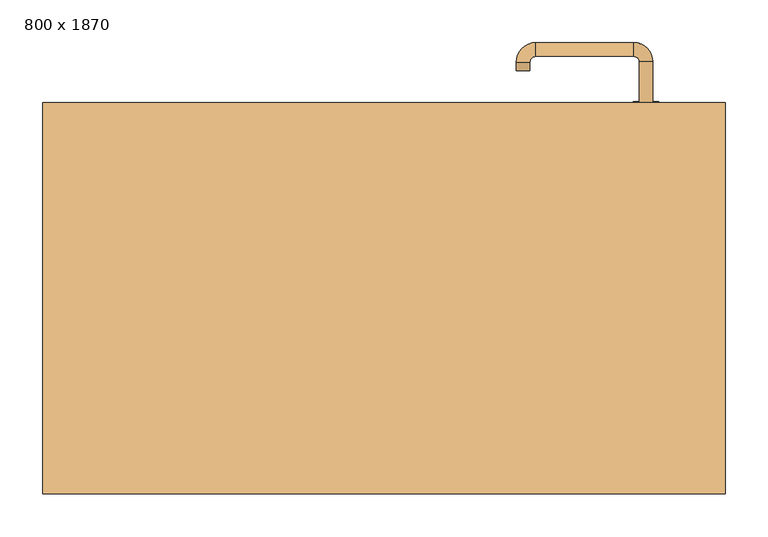
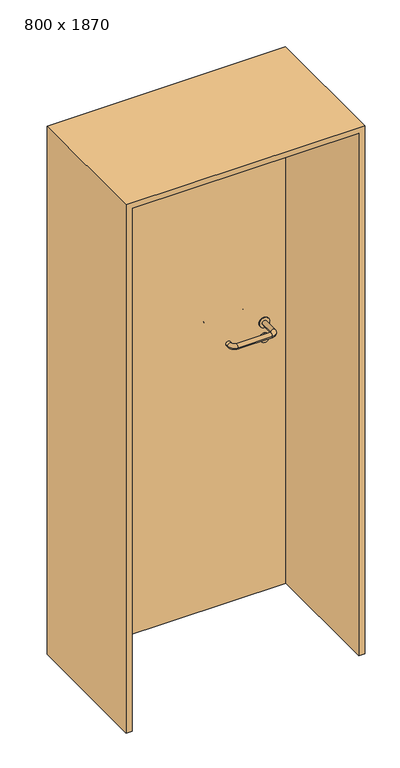
"""IFC4 building model written with IfcOpenShell, lengths in millimetres: door geometry, 800 x 1870."""

from ifc_helpers import new_model, si_unit, point, frame, frame_2d, origin, origin_with_axes, place, context, project, spatial, polyline, circle_curve, ellipse_curve, trimmed, segment, composite_curve, outline, extrude, source, transform, mapped, element, save
from ifc_brep_helpers import plane_surface, cylinder_surface, revolved_surface, advanced_brep


def door_800_x_1870_cc86cd20(model_context):
    return source(origin(), model_context, "Body", "SolidModel", [
        extrude(outline(composite_curve([segment(trimmed(circle_curve(frame_2d((897.3605726, 307.0)), 15.0), [point((897.3605726, 322.0))], [point((897.3605726, 292.0))], False, "CARTESIAN"), True, "CONTINUOUS"), segment(trimmed(circle_curve(frame_2d((897.3605726, 307.0)), 15.0), [point((897.3605726, 292.0))], [point((897.3605726, 322.0))], False, "CARTESIAN"), True, "CONTINUOUS")], self_intersect=False), holes=[composite_curve([segment(trimmed(circle_curve(frame_2d((892.5833211, 306.9398032)), 2.0), [point((892.5833211, 308.9398032))], [point((892.5833211, 304.9398032))], True, "CARTESIAN"), True, "CONTINUOUS"), segment(polyline([(892.5833211, 304.9398032), (902.5833211, 304.9398032)]), True, "CONTINUOUS"), segment(trimmed(circle_curve(frame_2d((902.5833211, 306.9398032)), 2.0), [point((902.5833211, 304.9398032))], [point((902.5833211, 308.9398032))], True, "CARTESIAN"), True, "CONTINUOUS"), segment(polyline([(902.5833211, 308.9398032), (892.5833211, 308.9398032)]), True, "CONTINUOUS")], self_intersect=False)]), frame((0.0, 188.65, 0.0), z_axis=(0.0, 1.0, 0.0), x_axis=(0.0, 0.0, 1.0)), (0.0, 0.0, 1.0), 6.35),
        extrude(outline(composite_curve([segment(trimmed(circle_curve(frame_2d((950.0, 307.0)), 17.526), [point((950.0, 324.526))], [point((950.0, 289.474))], False, "CARTESIAN"), True, "CONTINUOUS"), segment(trimmed(circle_curve(frame_2d((950.0, 307.0)), 17.526), [point((950.0, 289.474))], [point((950.0, 324.526))], False, "CARTESIAN"), True, "CONTINUOUS")], self_intersect=False)), frame((0.0, 191.825, 0.0), z_axis=(0.0, 1.0, 0.0), x_axis=(0.0, 0.0, 1.0)), (0.0, 0.0, 1.0), 3.175),
        advanced_brep(
        [(315.0, 195.0, 950.0), (299.0, 195.0, 950.0), (299.0, 142.0, 950.0), (315.0, 142.0, 950.0), (292.8578644, 135.8578644, 950.0), (292.8578644, 119.8578644, 950.0), (177.8578644, 135.8578644, 950.0), (177.8578644, 119.8578644, 950.0), (171.008622, 142.7071068, 950.0), (155.008622, 142.7071068, 950.0), (155.008622, 152.7071068, 950.0), (171.008622, 152.7071068, 950.0)],
        [
            (0, 1, circle_curve(frame((307.0, 195.0, 950.0), z_axis=(0.0, 1.0, 0.0), x_axis=(-1.0, 0.0, 0.0)), 8.0)),
            (1, 0, circle_curve(frame((307.0, 195.0, 950.0), z_axis=(0.0, 1.0, 0.0), x_axis=(-1.0, 0.0, 0.0)), 8.0)),
            (1, 2),
            (2, 3, circle_curve(frame((307.0, 142.0, 950.0), z_axis=(0.0, 1.0, 0.0), x_axis=(-1.0, 0.0, 0.0)), 8.0)),
            (3, 0),
            (3, 2, circle_curve(frame((307.0, 142.0, 950.0), z_axis=(0.0, 1.0, 0.0), x_axis=(-1.0, 0.0, 0.0)), 8.0)),
            (4, 5, circle_curve(frame((292.8578644, 127.8578644, 950.0), z_axis=(1.0, 0.0, 0.0), x_axis=(0.0, 1.0, 0.0)), 8.0)),
            (5, 3, circle_curve(frame((292.8578644, 142.0, 950.0), z_axis=(0.0, 0.0, 1.0), x_axis=(1.0, 0.0, 0.0)), 22.1421356)),
            (2, 4, circle_curve(frame((292.8578644, 142.0, 950.0), z_axis=(0.0, 0.0, -1.0), x_axis=(1.0, 0.0, 0.0)), 6.1421356)),
            (5, 4, circle_curve(frame((292.8578644, 127.8578644, 950.0), z_axis=(1.0, 0.0, 0.0), x_axis=(0.0, 1.0, 0.0)), 8.0)),
            (4, 6),
            (6, 7, circle_curve(frame((177.8578644, 127.8578644, 950.0), z_axis=(1.0, 0.0, 0.0), x_axis=(0.0, 1.0, 0.0)), 8.0)),
            (7, 5),
            (7, 6, circle_curve(frame((177.8578644, 127.8578644, 950.0), z_axis=(1.0, 0.0, 0.0), x_axis=(0.0, 1.0, 0.0)), 8.0)),
            (8, 9, circle_curve(frame((163.008622, 142.7071068, 950.0), z_axis=(0.0, -1.0, 0.0), x_axis=(1.0, 0.0, 0.0)), 8.0)),
            (9, 7, circle_curve(frame((177.8578644, 142.7071068, 950.0), z_axis=(0.0, 0.0, 1.0), x_axis=(0.0, -1.0, 0.0)), 22.8492424)),
            (6, 8, circle_curve(frame((177.8578644, 142.7071068, 950.0), z_axis=(0.0, 0.0, -1.0), x_axis=(0.0, -1.0, 0.0)), 6.8492424)),
            (9, 8, circle_curve(frame((163.008622, 142.7071068, 950.0), z_axis=(0.0, -1.0, 0.0), x_axis=(1.0, 0.0, 0.0)), 8.0)),
            (10, 11, circle_curve(frame((163.008622, 152.7071068, 950.0), z_axis=(0.0, 1.0, 0.0), x_axis=(1.0, 0.0, 0.0)), 8.0)),
            (11, 10, circle_curve(frame((163.008622, 152.7071068, 950.0), z_axis=(0.0, 1.0, 0.0), x_axis=(1.0, 0.0, 0.0)), 8.0)),
            (8, 11),
            (10, 9),
        ],
        [
            plane_surface(frame((307.0, 195.0, 0.0), z_axis=(0.0, 1.0, 0.0), x_axis=(0.0, 0.0, 1.0))),
            cylinder_surface(frame((307.0, 195.0, 950.0), z_axis=(0.0, 1.0, 0.0), x_axis=(-1.0, 0.0, 0.0)), 8.0),
            revolved_surface(trimmed(ellipse_curve(frame((307.0, 142.0, 950.0), z_axis=(0.0, -1.0, 0.0), x_axis=(-1.0, 0.0, 0.0)), 8.0, 8.0), [point((315.0, 142.0, 950.0))], [point((299.0, 142.0, 950.0))], True, "CARTESIAN"), (292.8578644, 142.0, 0.0), (0.0, 0.0, 1.0)),
            revolved_surface(trimmed(ellipse_curve(frame((307.0, 142.0, 950.0), z_axis=(0.0, -1.0, 0.0), x_axis=(-1.0, 0.0, 0.0)), 8.0, 8.0), [point((299.0, 142.0, 950.0))], [point((315.0, 142.0, 950.0))], True, "CARTESIAN"), (292.8578644, 142.0, 0.0), (0.0, 0.0, 1.0)),
            cylinder_surface(frame((292.8578644, 127.8578644, 950.0), z_axis=(1.0, 0.0, 0.0), x_axis=(0.0, 1.0, 0.0)), 8.0),
            revolved_surface(trimmed(ellipse_curve(frame((177.8578644, 127.8578644, 950.0), z_axis=(-1.0, 0.0, 0.0), x_axis=(0.0, 1.0, 0.0)), 8.0, 8.0), [point((177.8578644, 119.8578644, 950.0))], [point((177.8578644, 135.8578644, 950.0))], True, "CARTESIAN"), (177.8578644, 142.7071068, 0.0), (0.0, 0.0, 1.0)),
            revolved_surface(trimmed(ellipse_curve(frame((177.8578644, 127.8578644, 950.0), z_axis=(-1.0, 0.0, 0.0), x_axis=(0.0, 1.0, 0.0)), 8.0, 8.0), [point((177.8578644, 135.8578644, 950.0))], [point((177.8578644, 119.8578644, 950.0))], True, "CARTESIAN"), (177.8578644, 142.7071068, 0.0), (0.0, 0.0, 1.0)),
            plane_surface(frame((163.008622, 152.7071068, 0.0), z_axis=(0.0, 1.0, 0.0), x_axis=(0.0, 0.0, 1.0))),
            cylinder_surface(frame((163.008622, 142.7071068, 950.0), z_axis=(0.0, -1.0, 0.0), x_axis=(1.0, 0.0, 0.0)), 8.0),
        ],
        [
            (0, [[1, 2]]),
            (1, [[3, 4, 5, -2]]),
            (1, [[-5, 6, -3, -1]]),
            (2, [[7, 8, -4, 9]]),
            (3, [[10, -9, -6, -8]]),
            (4, [[11, 12, 13, -7]]),
            (4, [[-13, 14, -11, -10]]),
            (5, [[15, 16, -12, 17]]),
            (6, [[18, -17, -14, -16]]),
            (7, [[19, 20]]),
            (8, [[21, -19, 22, -15]]),
            (8, [[-22, -20, -21, -18]]),
        ],
    ),
        extrude(outline(composite_curve([segment(trimmed(circle_curve(frame_2d((0.0, -15.0)), 15.0), [point((0.0, -30.0))], [point((0.0, 0.0))], False, "CARTESIAN"), True, "CONTINUOUS"), segment(trimmed(circle_curve(frame_2d((0.0, -15.0)), 15.0), [point((0.0, 0.0))], [point((0.0, -30.0))], False, "CARTESIAN"), True, "CONTINUOUS")], self_intersect=False), holes=[composite_curve([segment(trimmed(circle_curve(frame_2d((4.7772515, -14.9398032)), 2.0), [point((4.7772515, -16.9398032))], [point((4.7772515, -12.9398032))], True, "CARTESIAN"), True, "CONTINUOUS"), segment(polyline([(4.7772515, -12.9398032), (-5.2227485, -12.9398032)]), True, "CONTINUOUS"), segment(trimmed(circle_curve(frame_2d((-5.2227485, -14.9398032)), 2.0), [point((-5.2227485, -12.9398032))], [point((-5.2227485, -16.9398032))], True, "CARTESIAN"), True, "CONTINUOUS"), segment(polyline([(-5.2227485, -16.9398032), (4.7772515, -16.9398032)]), True, "CONTINUOUS")], self_intersect=False)]), frame((292.0, 225.0, 897.3605726), z_axis=(1.8870575173328306e-12, 1.0, 0.0), x_axis=(0.0, 0.0, -1.0)), (0.0, 0.0, 1.0), 6.35),
        extrude(outline(composite_curve([segment(trimmed(circle_curve(frame_2d((0.0, -17.526)), 17.526), [point((0.0, -35.052))], [point((0.0, 0.0))], False, "CARTESIAN"), True, "CONTINUOUS"), segment(trimmed(circle_curve(frame_2d((0.0, -17.526)), 17.526), [point((0.0, 0.0))], [point((0.0, -35.052))], False, "CARTESIAN"), True, "CONTINUOUS")], self_intersect=False)), frame((289.474, 225.0, 950.0), z_axis=(1.8870575173328306e-12, 1.0, 0.0), x_axis=(0.0, 0.0, -1.0)), (0.0, 0.0, 1.0), 3.175),
        advanced_brep(
        [(315.0, 225.0, 950.0), (299.0, 225.0, 950.0), (315.0, 278.0, 950.0), (299.0, 278.0, 950.0), (292.8578644, 284.1421356, 950.0), (292.8578644, 300.1421356, 950.0), (177.8578644, 300.1421356, 950.0), (177.8578644, 284.1421356, 950.0), (171.008622, 277.2928932, 950.0), (155.008622, 277.2928932, 950.0), (155.008622, 267.2928932, 950.0), (171.008622, 267.2928932, 950.0)],
        [
            (0, 1, circle_curve(frame((307.0, 225.0, 950.0), z_axis=(-1.888672253512351e-12, -1.0, 0.0), x_axis=(-1.0, 1.888672253512351e-12, 0.0)), 8.0)),
            (1, 0, circle_curve(frame((307.0, 225.0, 950.0), z_axis=(-1.888672253512351e-12, -1.0, 0.0), x_axis=(-1.0, 1.888672253512351e-12, 0.0)), 8.0)),
            (0, 2),
            (2, 3, circle_curve(frame((307.0, 278.0, 950.0), z_axis=(-1.888672253512351e-12, -1.0, 0.0), x_axis=(-1.0, 1.888672253512351e-12, 0.0)), 8.0)),
            (3, 1),
            (3, 2, circle_curve(frame((307.0, 278.0, 950.0), z_axis=(-1.888672253512351e-12, -1.0, 0.0), x_axis=(-1.0, 1.888672253512351e-12, 0.0)), 8.0)),
            (4, 3, circle_curve(frame((292.8578644, 278.0, 950.0), z_axis=(0.0, 0.0, -1.0), x_axis=(1.0, -1.880717803715015e-12, 0.0)), 6.1421356)),
            (2, 5, circle_curve(frame((292.8578644, 278.0, 950.0), z_axis=(0.0, 0.0, 1.0), x_axis=(1.0, -1.880717803715015e-12, 0.0)), 22.1421356)),
            (5, 4, circle_curve(frame((292.8578644, 292.1421356, 950.0), z_axis=(1.0, -1.913702061528922e-12, 0.0), x_axis=(-1.913702061528922e-12, -1.0, 0.0)), 8.0)),
            (4, 5, circle_curve(frame((292.8578644, 292.1421356, 950.0), z_axis=(1.0, -1.913702061528922e-12, 0.0), x_axis=(-1.913702061528922e-12, -1.0, 0.0)), 8.0)),
            (5, 6),
            (6, 7, circle_curve(frame((177.8578644, 292.1421356, 950.0), z_axis=(1.0, -1.913719828541269e-12, 0.0), x_axis=(-1.913719828541269e-12, -1.0, 0.0)), 8.0)),
            (7, 4),
            (7, 6, circle_curve(frame((177.8578644, 292.1421356, 950.0), z_axis=(1.0, -1.913719828541269e-12, 0.0), x_axis=(-1.913719828541269e-12, -1.0, 0.0)), 8.0)),
            (8, 7, circle_curve(frame((177.8578644, 277.2928932, 950.0), z_axis=(0.0, 0.0, -1.0), x_axis=(1.9120873253494017e-12, 1.0, 0.0)), 6.8492424)),
            (6, 9, circle_curve(frame((177.8578644, 277.2928932, 950.0), z_axis=(0.0, 0.0, 1.0), x_axis=(1.9120873253494017e-12, 1.0, 0.0)), 22.8492424)),
            (9, 8, circle_curve(frame((163.008622, 277.2928932, 950.0), z_axis=(1.890448610351751e-12, 1.0, 0.0), x_axis=(1.0, -1.890448610351751e-12, 0.0)), 8.0)),
            (8, 9, circle_curve(frame((163.008622, 277.2928932, 950.0), z_axis=(1.8888942981172756e-12, 1.0, 0.0), x_axis=(1.0, -1.8888942981172756e-12, 0.0)), 8.0)),
            (10, 11, circle_curve(frame((163.008622, 267.2928932, 950.0), z_axis=(-1.8903642334018795e-12, -1.0, 0.0), x_axis=(1.0, -1.8903642334018795e-12, 0.0)), 8.0)),
            (11, 10, circle_curve(frame((163.008622, 267.2928932, 950.0), z_axis=(-1.8903642334018795e-12, -1.0, 0.0), x_axis=(1.0, -1.8903642334018795e-12, 0.0)), 8.0)),
            (9, 10),
            (11, 8),
        ],
        [
            plane_surface(frame((307.0, 225.0, 0.0), z_axis=(-1.8870575173328306e-12, -1.0, 0.0), x_axis=(0.0, 0.0, 1.0))),
            cylinder_surface(frame((307.0, 225.0, 950.0), z_axis=(-1.888672253512351e-12, -1.0, 0.0), x_axis=(-1.0, 1.888672253512351e-12, 0.0)), 8.0),
            revolved_surface(trimmed(ellipse_curve(frame((307.0, 278.0, 950.0), z_axis=(-1.8823325398945356e-12, -1.0, 0.0), x_axis=(-1.0, 1.8823325398945356e-12, 0.0)), 8.0, 8.0), [point((315.0, 278.0, 950.0))], [point((299.0, 278.0, 950.0))], True, "CARTESIAN"), (292.8578644, 278.0, 0.0), (0.0, 0.0, 1.0)),
            revolved_surface(trimmed(ellipse_curve(frame((307.0, 278.0, 950.0), z_axis=(-1.8823325398945356e-12, -1.0, 0.0), x_axis=(-1.0, 1.8823325398945356e-12, 0.0)), 8.0, 8.0), [point((299.0, 278.0, 950.0))], [point((315.0, 278.0, 950.0))], True, "CARTESIAN"), (292.8578644, 278.0, 0.0), (0.0, 0.0, 1.0)),
            cylinder_surface(frame((292.8578644, 292.1421356, 950.0), z_axis=(1.0, -1.913719828541269e-12, 0.0), x_axis=(-1.913719828541269e-12, -1.0, 0.0)), 8.0),
            revolved_surface(trimmed(ellipse_curve(frame((177.8578644, 292.1421356, 950.0), z_axis=(1.0, -1.913702061528922e-12, 0.0), x_axis=(-1.913702061528922e-12, -1.0, 0.0)), 8.0, 8.0), [point((177.8578644, 300.1421356, 950.0))], [point((177.8578644, 284.1421356, 950.0))], True, "CARTESIAN"), (177.8578644, 277.2928932, 0.0), (0.0, 0.0, 1.0)),
            revolved_surface(trimmed(ellipse_curve(frame((177.8578644, 292.1421356, 950.0), z_axis=(1.0, -1.913702061528922e-12, 0.0), x_axis=(-1.913702061528922e-12, -1.0, 0.0)), 8.0, 8.0), [point((177.8578644, 284.1421356, 950.0))], [point((177.8578644, 300.1421356, 950.0))], True, "CARTESIAN"), (177.8578644, 277.2928932, 0.0), (0.0, 0.0, 1.0)),
            plane_surface(frame((163.008622, 267.2928932, 0.0), z_axis=(-1.8887494972223595e-12, -1.0, 0.0), x_axis=(0.0, 0.0, 1.0))),
            cylinder_surface(frame((163.008622, 277.2928932, 950.0), z_axis=(1.8903642334018795e-12, 1.0, 0.0), x_axis=(1.0, -1.8903642334018795e-12, 0.0)), 8.0),
        ],
        [
            (0, [[1, 2]]),
            (1, [[-1, 3, 4, 5]]),
            (1, [[-2, -5, 6, -3]]),
            (2, [[7, -4, 8, 9]]),
            (3, [[-8, -6, -7, 10]]),
            (4, [[-9, 11, 12, 13]]),
            (4, [[-10, -13, 14, -11]]),
            (5, [[15, -12, 16, 17]]),
            (6, [[-16, -14, -15, 18]]),
            (7, [[19, 20]]),
            (8, [[-17, 21, -20, 22]]),
            (8, [[-18, -22, -19, -21]]),
        ],
    ),
        extrude(outline(polyline([(1850.0, 380.0), (0.0, 380.0), (0.0, 400.0), (1870.0, 400.0), (1870.0, -400.0), (0.0, -400.0), (0.0, -380.0), (1850.0, -380.0), (1850.0, 380.0)])), frame((0.0, -229.0, 0.0), z_axis=(0.0, 1.0, 0.0), x_axis=(0.0, 0.0, 1.0)), (0.0, 0.0, 1.0), 459.0),
        extrude(outline(polyline([(-380.0, 225.0), (380.0, 225.0), (380.0, 195.0), (-380.0, 195.0), (-380.0, 225.0)])), origin_with_axes(), (0.0, 0.0, 1.0), 1850.0),
    ])


if __name__ == "__main__":
    model = new_model("IFC4")
    model_context = context("Model", 3, world=origin())
    ifc_project = project(units=[si_unit("LENGTHUNIT", "METRE", prefix="MILLI")], contexts=[model_context])
    site = spatial("IfcSite", under=ifc_project)
    building = spatial("IfcBuilding", under=site)
    placement = place(None, origin())
    door_800_x_1870_shape = door_800_x_1870_cc86cd20(model_context)
    element("IfcDoor", 1, ObjectType="800 x 1870", at=placement, inside=building, context=model_context, shape_type="MappedRepresentation", body=[
        mapped(door_800_x_1870_shape, transform((0.0, 0.0, 0.0), x_axis=(1.0, 0.0, 0.0), y_axis=(0.0, 1.0, 0.0), z_axis=(0.0, 0.0, 1.0))),
    ])
    save(model, "model.ifc")
